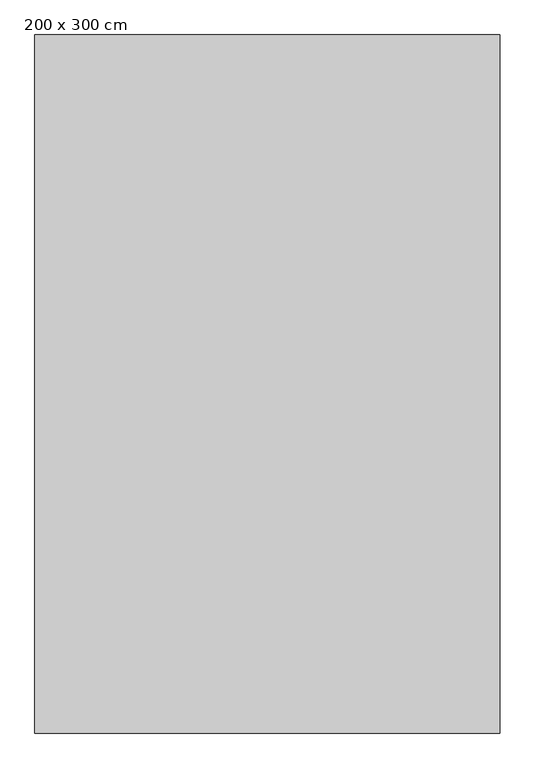
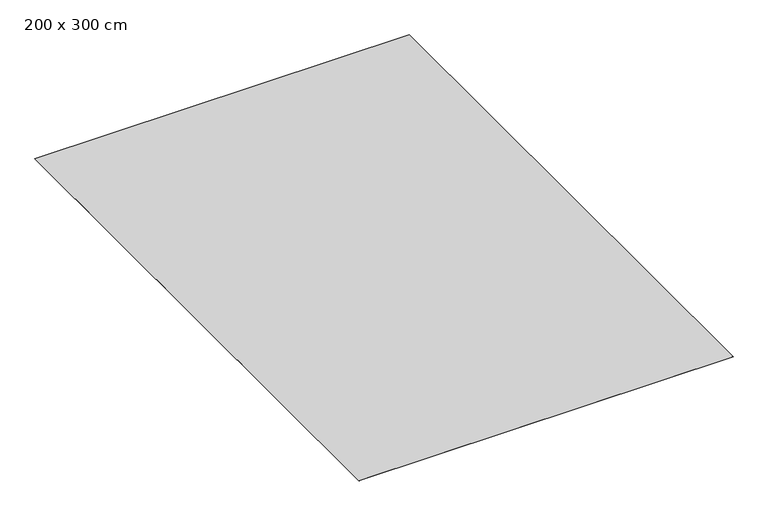
"""IFC4 building model written with IfcOpenShell, lengths in millimetres: furniture geometry, 200 x 300 cm."""

from ifc_helpers import new_model, si_unit, origin, origin_with_axes, place, context, project, spatial, polyline, outline, extrude, source, transform, mapped, element, save


def furniture_200_x_300_cm_c651875d(model_context):
    return source(origin(), model_context, "Body", "SweptSolid", [
        extrude(outline(polyline([(638.9910917, 1845.9794098), (638.9910917, -1154.3955902), (-1361.2589083, -1154.3955902), (-1361.2589083, 1845.9794098), (638.9910917, 1845.9794098)])), origin_with_axes(), (0.0, 0.0, 1.0), 0.8128),
    ])


if __name__ == "__main__":
    model = new_model("IFC4")
    model_context = context("Model", 3, world=origin())
    ifc_project = project(units=[si_unit("LENGTHUNIT", "METRE", prefix="MILLI")], contexts=[model_context])
    site = spatial("IfcSite", under=ifc_project)
    building = spatial("IfcBuilding", under=site)
    placement = place(None, origin())
    furniture_200_x_300_cm_shape = furniture_200_x_300_cm_c651875d(model_context)
    element("IfcFurniture", 1, ObjectType="200 x 300 cm", at=placement, inside=building, context=model_context, shape_type="MappedRepresentation", body=[
        mapped(furniture_200_x_300_cm_shape, transform((0.0, 0.0, 0.0), x_axis=(1.0, 0.0, 0.0), y_axis=(0.0, 1.0, 0.0), z_axis=(0.0, 0.0, 1.0))),
    ])
    save(model, "model.ifc")
